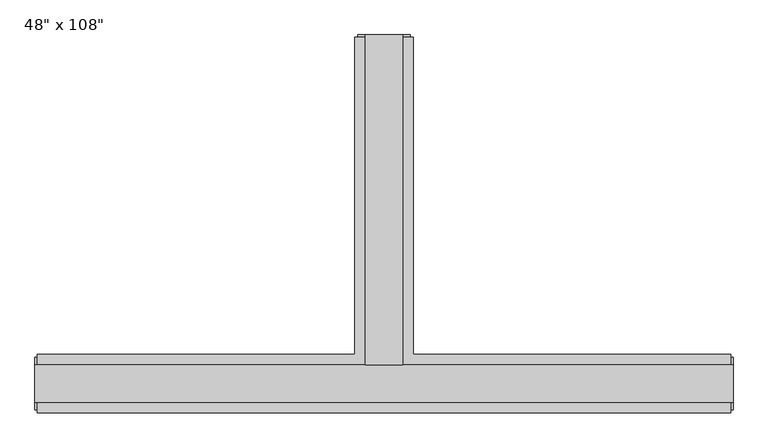
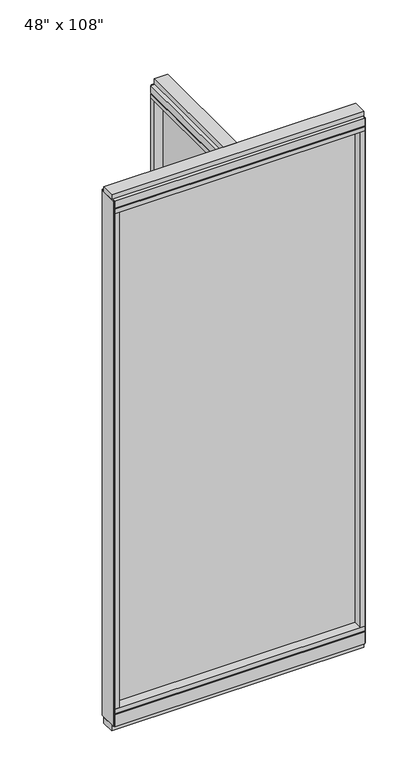
"""IFC4 building model written with IfcOpenShell, lengths in millimetres: furniture geometry."""

from ifc_helpers import new_model, si_unit, frame, origin, origin_with_axes, place, context, project, spatial, polyline, outline, extrude, faceted_brep, source, transform, mapped, element, save


def furniture_36baf4a2(model_context):
    return source(origin(), model_context, "Body", "SolidModel", [
        extrude(outline(polyline([(-65.1165229, 0.5622784), (-65.1165229, 578.9202784), (-54.9565229, 578.9202784), (-54.9565229, 0.5622784), (-65.1165229, 0.5622784)])), frame((0.0, 0.0, 120.65), z_axis=(0.0, 0.0, 1.0), x_axis=(1.0, 0.0, 0.0)), (0.0, 0.0, 1.0), 2533.777),
        extrude(outline(polyline([(523.4014771, -9.5977216), (-643.4745229, -9.5977216), (-643.4745229, 0.5622784), (523.4014771, 0.5622784), (523.4014771, -9.5977216)])), frame((0.0, 0.0, 120.523), z_axis=(0.0, 0.0, 1.0), x_axis=(1.0, 0.0, 0.0)), (0.0, 0.0, 1.0), 2533.777),
        extrude(outline(polyline([(-110.8365229, 601.1452784), (-9.2365229, 601.1452784), (-9.2365229, 46.2822784), (545.6264771, 46.2822784), (545.6264771, -55.3177216), (-665.6995229, -55.3177216), (-665.6995229, 46.2822784), (-110.8365229, 46.2822784), (-110.8365229, 601.1452784)])), frame((0.0, 0.0, 2654.3), z_axis=(0.0, 0.0, 1.0), x_axis=(1.0, 0.0, 0.0)), (0.0, 0.0, 1.0), 22.225),
        faceted_brep([(-105.8835229, 46.2822784, 2681.478), (-105.8835229, 46.2822784, 2676.525), (-14.1895229, 46.2822784, 2676.525), (-14.1895229, 46.2822784, 2681.478), (-9.2365229, 601.1452784, 2681.478), (-14.1895229, 601.1452784, 2681.478), (-14.1895229, 601.1452784, 2676.525), (-105.8835229, 601.1452784, 2676.525), (-105.8835229, 601.1452784, 2681.478), (-110.8365229, 601.1452784, 2681.478), (-110.8365229, 601.1452784, 2717.8), (-9.2365229, 601.1452784, 2717.8), (-9.2365229, 46.2822784, 2681.478), (545.6264771, 46.2822784, 2681.478), (545.6264771, 41.3292784, 2681.478), (-665.6995229, 41.3292784, 2681.478), (-665.6995229, 46.2822784, 2681.478), (-110.8365229, 46.2822784, 2681.478), (-110.8365229, 46.2822784, 2717.8), (-665.6995229, 46.2822784, 2717.8), (-665.6995229, -55.3177216, 2717.8), (545.6264771, -55.3177216, 2717.8), (545.6264771, 46.2822784, 2717.8), (-9.2365229, 46.2822784, 2717.8), (-665.6995229, -55.3177216, 2681.478), (-665.6995229, 41.3292784, 2676.525), (-665.6995229, -50.3647216, 2676.525), (-665.6995229, -50.3647216, 2681.478), (545.6264771, -55.3177216, 2681.478), (545.6264771, -50.3647216, 2681.478), (545.6264771, -50.3647216, 2676.525), (545.6264771, 41.3292784, 2676.525)], [[[0, 1, 2, 3]], [[4, 5, 6, 7, 8, 9, 10, 11]], [[5, 4, 12, 13, 14, 15, 16, 17, 9, 8, 0, 3]], [[3, 2, 6, 5]], [[2, 1, 7, 6]], [[1, 0, 8, 7]], [[10, 9, 17, 18]], [[11, 10, 18, 19, 20, 21, 22, 23]], [[4, 11, 23, 12]], [[24, 20, 19, 16, 15, 25, 26, 27]], [[28, 29, 30, 31, 14, 13, 22, 21]], [[24, 27, 29, 28]], [[16, 19, 18, 17]], [[22, 13, 12, 23]], [[20, 24, 28, 21]], [[25, 15, 14, 31]], [[26, 25, 31, 30]], [[27, 26, 30, 29]]]),
        faceted_brep([(-14.1895229, 46.2822784, 93.345), (-14.1895229, 46.2822784, 98.298), (-105.8835229, 46.2822784, 98.298), (-105.8835229, 46.2822784, 93.345), (-9.2365229, 601.1452784, 93.345), (-9.2365229, 601.1452784, 31.75), (-110.8365229, 601.1452784, 31.75), (-110.8365229, 601.1452784, 93.345), (-105.8835229, 601.1452784, 93.345), (-105.8835229, 601.1452784, 98.298), (-14.1895229, 601.1452784, 98.298), (-14.1895229, 601.1452784, 93.345), (-110.8365229, 46.2822784, 93.345), (-665.6995229, 46.2822784, 93.345), (-665.6995229, 41.3292784, 93.345), (545.6264771, 41.3292784, 93.345), (545.6264771, 46.2822784, 93.345), (-9.2365229, 46.2822784, 93.345), (-110.8365229, 46.2822784, 31.75), (-9.2365229, 46.2822784, 31.75), (545.6264771, 46.2822784, 31.75), (545.6264771, -55.3177216, 31.75), (-665.6995229, -55.3177216, 31.75), (-665.6995229, 46.2822784, 31.75), (545.6264771, -55.3177216, 93.345), (545.6264771, 41.3292784, 98.298), (545.6264771, -50.3647216, 98.298), (545.6264771, -50.3647216, 93.345), (-665.6995229, -55.3177216, 93.345), (-665.6995229, -50.3647216, 93.345), (-665.6995229, -50.3647216, 98.298), (-665.6995229, 41.3292784, 98.298)], [[[0, 1, 2, 3]], [[4, 5, 6, 7, 8, 9, 10, 11]], [[4, 11, 0, 3, 8, 7, 12, 13, 14, 15, 16, 17]], [[1, 0, 11, 10]], [[2, 1, 10, 9]], [[3, 2, 9, 8]], [[7, 6, 18, 12]], [[6, 5, 19, 20, 21, 22, 23, 18]], [[5, 4, 17, 19]], [[24, 21, 20, 16, 15, 25, 26, 27]], [[28, 29, 30, 31, 14, 13, 23, 22]], [[24, 27, 29, 28]], [[16, 20, 19, 17]], [[23, 13, 12, 18]], [[21, 24, 28, 22]], [[25, 15, 14, 31]], [[26, 25, 31, 30]], [[27, 26, 30, 29]]]),
        extrude(outline(polyline([(-110.8365229, 601.1452784), (-9.2365229, 601.1452784), (-9.2365229, 46.2822784), (545.6264771, 46.2822784), (545.6264771, -55.3177216), (-665.6995229, -55.3177216), (-665.6995229, 46.2822784), (-110.8365229, 46.2822784), (-110.8365229, 601.1452784)])), frame((0.0, 0.0, 98.298), z_axis=(0.0, 0.0, 1.0), x_axis=(1.0, 0.0, 0.0)), (0.0, 0.0, 1.0), 22.225),
        extrude(outline(polyline([(-27.5245229, 27.9942784), (-92.5485229, 27.9942784), (-92.5485229, 605.0822784), (-27.5245229, 605.0822784), (-27.5245229, 27.9942784)])), origin_with_axes(), (0.0, 0.0, 1.0), 31.75),
        extrude(outline(polyline([(-9.2365229, 601.1452784), (-9.2365229, 578.9202784), (-110.8365229, 578.9202784), (-110.8365229, 601.1452784), (-9.2365229, 601.1452784)])), frame((0.0, 0.0, 120.523), z_axis=(0.0, 0.0, 1.0), x_axis=(1.0, 0.0, 0.0)), (0.0, 0.0, 1.0), 2533.777),
        extrude(outline(polyline([(-14.1895229, 605.0822784), (-14.1895229, 601.1452784), (-105.8835229, 601.1452784), (-105.8835229, 605.0822784), (-14.1895229, 605.0822784)])), frame((0.0, 0.0, 31.75), z_axis=(0.0, 0.0, 1.0), x_axis=(1.0, 0.0, 0.0)), (0.0, 0.0, 1.0), 2686.05),
        extrude(outline(polyline([(-27.5245229, 27.9942784), (-92.5485229, 27.9942784), (-92.5485229, 605.0822784), (-27.5245229, 605.0822784), (-27.5245229, 27.9942784)])), frame((0.0, 0.0, 2717.8), z_axis=(0.0, 0.0, 1.0), x_axis=(1.0, 0.0, 0.0)), (0.0, 0.0, 1.0), 25.4),
        extrude(outline(polyline([(549.5634771, 27.9942784), (549.5634771, -37.0297216), (-669.6365229, -37.0297216), (-669.6365229, 27.9942784), (549.5634771, 27.9942784)])), origin_with_axes(), (0.0, 0.0, 1.0), 31.75),
        extrude(outline(polyline([(-669.6365229, -37.0297216), (-669.6365229, 27.9942784), (549.5634771, 27.9942784), (549.5634771, -37.0297216), (-669.6365229, -37.0297216)])), frame((0.0, 0.0, 2717.8), z_axis=(0.0, 0.0, 1.0), x_axis=(1.0, 0.0, 0.0)), (0.0, 0.0, 1.0), 25.4),
        extrude(outline(polyline([(523.4014771, -55.3177216), (523.4014771, 46.2822784), (545.6264771, 46.2822784), (545.6264771, -55.3177216), (523.4014771, -55.3177216)])), frame((0.0, 0.0, 120.523), z_axis=(0.0, 0.0, 1.0), x_axis=(1.0, 0.0, 0.0)), (0.0, 0.0, 1.0), 2533.777),
        extrude(outline(polyline([(-643.4745229, -55.3177216), (-665.6995229, -55.3177216), (-665.6995229, 46.2822784), (-643.4745229, 46.2822784), (-643.4745229, -55.3177216)])), frame((0.0, 0.0, 120.523), z_axis=(0.0, 0.0, 1.0), x_axis=(1.0, 0.0, 0.0)), (0.0, 0.0, 1.0), 2533.777),
        extrude(outline(polyline([(549.5634771, -50.3647216), (545.6264771, -50.3647216), (545.6264771, 41.3292784), (549.5634771, 41.3292784), (549.5634771, -50.3647216)])), frame((0.0, 0.0, 31.75), z_axis=(0.0, 0.0, 1.0), x_axis=(1.0, 0.0, 0.0)), (0.0, 0.0, 1.0), 2686.05),
        extrude(outline(polyline([(-669.6365229, -50.3647216), (-669.6365229, 41.3292784), (-665.6995229, 41.3292784), (-665.6995229, -50.3647216), (-669.6365229, -50.3647216)])), frame((0.0, 0.0, 31.75), z_axis=(0.0, 0.0, 1.0), x_axis=(1.0, 0.0, 0.0)), (0.0, 0.0, 1.0), 2686.05),
    ])


if __name__ == "__main__":
    model = new_model("IFC4")
    model_context = context("Model", 3, world=origin())
    ifc_project = project(units=[si_unit("LENGTHUNIT", "METRE", prefix="MILLI")], contexts=[model_context])
    site = spatial("IfcSite", under=ifc_project)
    building = spatial("IfcBuilding", under=site)
    placement = place(None, origin())
    furniture_shape = furniture_36baf4a2(model_context)
    element("IfcFurniture", 1, ObjectType="48\" x 108\"", at=placement, inside=building, context=model_context, shape_type="MappedRepresentation", body=[
        mapped(furniture_shape, transform((0.0, 0.0, 0.0), x_axis=(1.0, 0.0, 0.0), y_axis=(0.0, 1.0, 0.0), z_axis=(0.0, 0.0, 1.0))),
    ])
    save(model, "model.ifc")
